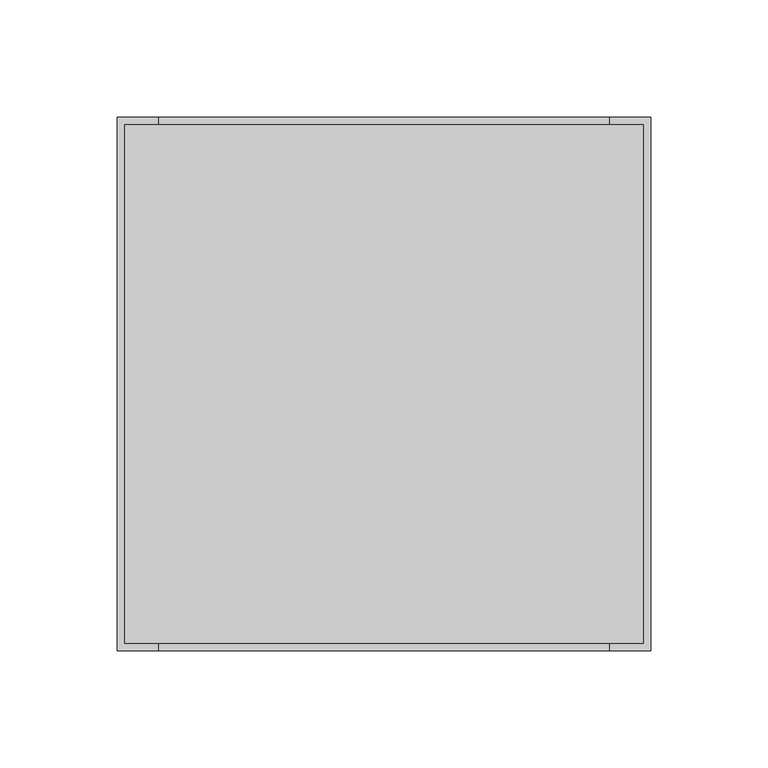
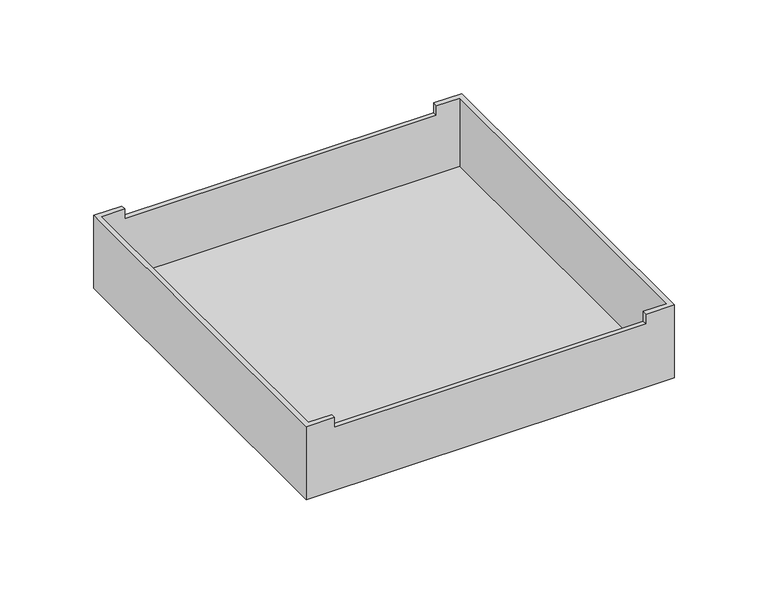
"""IFC4 building model written with IfcOpenShell, lengths in millimetres: furniture geometry."""

import ifcopenshell
import ifcopenshell.guid

model = None  # the IFC model being written
_history = None  # IfcOwnerHistory: only IFC2X3 demands one
_inside = {}  # id of a spatial element -> (the spatial element, [elements in it])
_under = {}  # id of a project, library or spatial element -> (it, [spatial elements below it])
_declared = {}  # id of a project -> (the project, [libraries it declares])
_typed = {}  # id of a type object -> (the type object, [elements of that type])
_made_of = {}  # id of a material, layer set ... -> (it, [elements and type objects made of it])


def new_model(schema):
    """Start an empty IFC model of exactly this schema.

    Asked for "IFC4X3", IfcOpenShell would pick the latest addendum, in which some entities
    have other attributes; the version numbers below select the first issue.
    IFC2X3 requires an IfcOwnerHistory on every rooted entity: one is made here for all.
    """
    global model, _history
    if schema == "IFC4X3":
        model = ifcopenshell.file(schema_version=(4, 3, 0, 0))
    else:
        model = ifcopenshell.file(schema=schema)
    _inside.clear()
    _under.clear()
    _declared.clear()
    _typed.clear()
    _made_of.clear()
    _history = None
    if model.schema == "IFC2X3":
        org = make("IfcOrganization", Name="unknown")
        user = make(
            "IfcPersonAndOrganization",
            ThePerson=make("IfcPerson", FamilyName="unknown"),
            TheOrganization=org,
        )
        app = make(
            "IfcApplication",
            ApplicationDeveloper=org,
            Version="unknown",
            ApplicationFullName="unknown",
            ApplicationIdentifier="unknown",
        )
        _history = make(
            "IfcOwnerHistory",
            OwningUser=user,
            OwningApplication=app,
            ChangeAction="ADDED",
            CreationDate=0,
        )
    return model


def make(cls, **values):
    """One entity of the class cls with the attributes given. An attribute that is None is left unset."""
    return model.create_entity(
        cls, **{name: value for name, value in values.items() if value is not None}
    )


def rooted(cls, **values):
    """An entity with a GlobalId (a new one), such as an element, a storey or a relation."""
    return make(cls, GlobalId=ifcopenshell.guid.new(), OwnerHistory=_history, **values)


def si_unit(unit_type, name, prefix=None):
    """IfcSIUnit, for example si_unit("LENGTHUNIT", "METRE", prefix="MILLI")."""
    return make("IfcSIUnit", UnitType=unit_type, Prefix=prefix, Name=name)


def assignment(units):
    """IfcUnitAssignment: the units of a project."""
    return None if units is None else make("IfcUnitAssignment", Units=units)


def point(xyz):
    """IfcCartesianPoint."""
    return None if xyz is None else make("IfcCartesianPoint", Coordinates=xyz)


def direction(xyz):
    """IfcDirection."""
    return None if xyz is None else make("IfcDirection", DirectionRatios=xyz)


def frame(location, z_axis=None, x_axis=None):
    """IfcAxis2Placement3D, a coordinate frame: its origin and axes. An axis left out is left unset."""
    return make(
        "IfcAxis2Placement3D",
        Location=point(location),
        Axis=direction(z_axis),
        RefDirection=direction(x_axis),
    )


def origin():
    """The frame at (0, 0, 0) with its axes left unset."""
    return frame((0.0, 0.0, 0.0))


def place(relative_to, where):
    """IfcLocalPlacement: puts the frame where relative to a parent placement (None: the world)."""
    return make(
        "IfcLocalPlacement", PlacementRelTo=relative_to, RelativePlacement=where
    )


def context(
    kind, dimensions, precision=None, world=None, true_north=None, identifier=None
):
    """IfcGeometricRepresentationContext, for example the 3D "Model" context."""
    return make(
        "IfcGeometricRepresentationContext",
        ContextIdentifier=identifier,
        ContextType=kind,
        CoordinateSpaceDimension=dimensions,
        Precision=precision,
        WorldCoordinateSystem=world,
        TrueNorth=true_north,
    )


def project(units=None, contexts=None):
    """IfcProject with its units and contexts."""
    return rooted(
        "IfcProject",
        Name="project",
        RepresentationContexts=contexts,
        UnitsInContext=assignment(units),
    )


def spatial(cls, under=None, at=None, **own):
    """A site, building, storey or space (cls), placed at a placement, below another one or the project."""
    s = rooted(cls, ObjectPlacement=at, **own)
    if under is not None:
        _under.setdefault(under.id(), (under, []))[1].append(s)
    return s


def polyline(points):
    """IfcPolyline through the points."""
    return make("IfcPolyline", Points=[point(p) for p in points])


def outline(outer, holes=None, kind="AREA"):
    """IfcArbitraryClosedProfileDef: a profile drawn as a closed curve; with holes, ...WithVoids."""
    if holes is None:
        return make("IfcArbitraryClosedProfileDef", ProfileType=kind, OuterCurve=outer)
    return make(
        "IfcArbitraryProfileDefWithVoids",
        ProfileType=kind,
        OuterCurve=outer,
        InnerCurves=holes,
    )


def extrude(swept, where, along, depth):
    """IfcExtrudedAreaSolid: the profile swept, set in the frame where, extruded along a direction by depth."""
    return make(
        "IfcExtrudedAreaSolid",
        SweptArea=swept,
        Position=where,
        ExtrudedDirection=direction(along),
        Depth=depth,
    )


def faces_of(points, faces, orient=None, outer=None):
    """IfcFace entities. A face is a list of loops; a loop is a list of indices into points, from 0.

    orient and outer hold one flag for each loop. By default every Orientation is true, the
    first loop of a face is its IfcFaceOuterBound and the others are IfcFaceBound.
    """
    made = []
    for i, loops in enumerate(faces):
        bounds = []
        for j, loop in enumerate(loops):
            is_outer = j == 0 if outer is None else outer[i][j]
            bounds.append(
                make(
                    "IfcFaceOuterBound" if is_outer else "IfcFaceBound",
                    Bound=make("IfcPolyLoop", Polygon=[points[k] for k in loop]),
                    Orientation=True if orient is None else orient[i][j],
                )
            )
        made.append(make("IfcFace", Bounds=bounds))
    return made


def faceted_brep(points, faces, orient=None, outer=None, voids=None):
    """IfcFacetedBrep: a solid bounded by flat faces; with voids (closed shells), ...WithVoids."""
    shared = [point(p) for p in points]
    hull = make("IfcClosedShell", CfsFaces=faces_of(shared, faces, orient, outer))
    if voids is None:
        return make("IfcFacetedBrep", Outer=hull)
    return make(
        "IfcFacetedBrepWithVoids",
        Outer=hull,
        Voids=[
            make(cls, CfsFaces=faces_of(shared, fs, o, b)) for cls, fs, o, b in voids
        ],
    )


def shape(context_of_items, identifier, shape_type, items):
    """IfcShapeRepresentation: the items that make up one representation, for example the "Body"."""
    return make(
        "IfcShapeRepresentation",
        ContextOfItems=context_of_items,
        RepresentationIdentifier=identifier,
        RepresentationType=shape_type,
        Items=items,
    )


def source(mapping_origin, context_of_items, identifier, shape_type, items):
    """IfcRepresentationMap: a shape defined once, which mapped items show again and again."""
    return make(
        "IfcRepresentationMap",
        MappingOrigin=mapping_origin,
        MappedRepresentation=shape(context_of_items, identifier, shape_type, items),
    )


def transform(
    local_origin,
    x_axis=None,
    y_axis=None,
    z_axis=None,
    scale=None,
    scale2=None,
    scale3=None,
    uniform=True,
):
    """IfcCartesianTransformationOperator3D, or its non-uniform kind. x_axis, y_axis, z_axis: its Axis1, 2, 3."""
    if uniform:
        return make(
            "IfcCartesianTransformationOperator3D",
            Axis1=direction(x_axis),
            Axis2=direction(y_axis),
            LocalOrigin=point(local_origin),
            Scale=scale,
            Axis3=direction(z_axis),
        )
    return make(
        "IfcCartesianTransformationOperator3DnonUniform",
        Axis1=direction(x_axis),
        Axis2=direction(y_axis),
        LocalOrigin=point(local_origin),
        Scale=scale,
        Axis3=direction(z_axis),
        Scale2=scale2,
        Scale3=scale3,
    )


def mapped(mapping_source, mapping_target):
    """IfcMappedItem: shows the shape of a source again, moved by a transform."""
    return make(
        "IfcMappedItem", MappingSource=mapping_source, MappingTarget=mapping_target
    )


def made_of(thing, what):
    """Note that an element or type object is made of a material, layer set ...; save() writes the relation."""
    if what is not None:
        _made_of.setdefault(what.id(), (what, []))[1].append(thing)
    return thing


def element(
    cls,
    number,
    at=None,
    inside=None,
    cuts=None,
    type_object=None,
    material=None,
    context=None,
    identifier="Body",
    shape_type=None,
    held_by="IfcProductDefinitionShape",
    body=None,
    shapes=None,
    **own,
):
    """One element of the class cls, such as IfcWall. Its Tag is "e" and its number.

    at: its placement. inside: the storey or other place that contains it. cuts: it is an
    opening in that element (IfcRelVoidsElement). A single representation is given by context,
    identifier, shape_type and body (its items); several are given by shapes. held_by: the class
    of the entity that holds the representations. save() writes the other relations.
    """
    e = rooted(cls, Tag="e%d" % number, ObjectPlacement=at, **own)
    if body is not None:
        shapes = [shape(context, identifier, shape_type, body)]
    if shapes is not None:
        e.Representation = make(held_by, Representations=shapes)
    if inside is not None:
        _inside.setdefault(inside.id(), (inside, []))[1].append(e)
    if cuts is not None:
        rooted(
            "IfcRelVoidsElement", RelatingBuildingElement=cuts, RelatedOpeningElement=e
        )
    if type_object is not None:
        _typed.setdefault(type_object.id(), (type_object, []))[1].append(e)
    return made_of(e, material)


def aggregate(whole, parts):
    """IfcRelAggregates: a whole, such as a stair, and the parts it consists of."""
    return rooted("IfcRelAggregates", RelatingObject=whole, RelatedObjects=parts)


def save(model, path):
    """Write the relations noted so far, then the file.

    IfcRelAggregates (storeys below a building ...), IfcRelContainedInSpatialStructure (elements
    in a storey), IfcRelDefinesByType, IfcRelAssociatesMaterial and IfcRelDeclares: one each for
    every whole, place, type object, material and project.
    """
    for whole, parts in _under.values():
        aggregate(whole, parts)
    for where, things in _inside.values():
        rooted(
            "IfcRelContainedInSpatialStructure",
            RelatedElements=things,
            RelatingStructure=where,
        )
    for kind, things in _typed.values():
        rooted("IfcRelDefinesByType", RelatedObjects=things, RelatingType=kind)
    for what, things in _made_of.values():
        rooted("IfcRelAssociatesMaterial", RelatedObjects=things, RelatingMaterial=what)
    for by, libraries in _declared.values():
        rooted("IfcRelDeclares", RelatingContext=by, RelatedDefinitions=libraries)
    model.write(path)


def furniture_1521fe45(model_context):
    return source(origin(), model_context, "Body", "SolidModel", [
        extrude(outline(polyline([(223.2660951, -4.0639886), (223.2660951, -223.2660158), (4.0637773, -223.2660158), (4.0637773, -4.0639886), (223.2660951, -4.0639886)]), holes=[polyline([(5.7148393, -221.6149538), (221.6150331, -221.6149538), (221.6150331, -5.7149053), (5.7148393, -5.7149053), (5.7148393, -221.6149538)])]), frame((0.0, 0.0, 723.9), z_axis=(0.0, 0.0, 1.0), x_axis=(1.0, 0.0, 0.0)), (0.0, 0.0, 1.0), 3.0479971),
        faceted_brep([(17.4623677, 0.0, 774.573), (0.0, 0.0, 774.573), (0.0, -227.3300119, 774.573), (17.4623677, -227.3300119, 774.573), (17.4623677, -224.2820875, 774.573), (3.0481312, -224.2820875, 774.573), (3.0481312, -3.0479618, 774.573), (17.4623677, -3.0479618, 774.573), (209.8674328, 0.0, 774.573), (209.8674328, -3.0479618, 774.573), (224.2816693, -3.0479618, 774.573), (224.2816693, -224.2820875, 774.573), (209.8674328, -224.2820875, 774.573), (209.8674328, -227.3300119, 774.573), (227.3298005, -227.3300119, 774.573), (227.3298005, 0.0, 774.573), (17.4623677, 0.0, 768.2230213), (209.8674328, 0.0, 768.2230213), (227.3298005, 0.0, 726.9479971), (0.0, 0.0, 726.9479971), (0.0, -227.3300119, 726.9479971), (227.3298005, -227.3300119, 726.9479971), (209.8674328, -227.3300119, 768.2230213), (17.4623677, -227.3300119, 768.2230213), (17.4623677, -224.2820875, 768.2230213), (209.8674328, -224.2820875, 768.2230213), (224.2816693, -224.2820875, 729.9959942), (3.0481312, -224.2820875, 729.9959942), (3.0481312, -3.0479618, 729.9959942), (224.2816693, -3.0479618, 729.9959942), (209.8674328, -3.0479618, 768.2230213), (17.4623677, -3.0479618, 768.2230213)], [[[0, 1, 2, 3, 4, 5, 6, 7]], [[8, 9, 10, 11, 12, 13, 14, 15]], [[1, 0, 16, 17, 8, 15, 18, 19]], [[2, 1, 19, 20]], [[3, 2, 20, 21, 14, 13, 22, 23]], [[4, 3, 23, 24]], [[5, 4, 24, 25, 12, 11, 26, 27]], [[6, 5, 27, 28]], [[7, 6, 28, 29, 10, 9, 30, 31]], [[0, 7, 31, 16]], [[9, 8, 17, 30]], [[11, 10, 29, 26]], [[13, 12, 25, 22]], [[15, 14, 21, 18]], [[27, 26, 29, 28]], [[18, 21, 20, 19]], [[17, 16, 31, 30]], [[25, 24, 23, 22]]]),
    ])


if __name__ == "__main__":
    model = new_model("IFC4")
    model_context = context("Model", 3, world=origin())
    ifc_project = project(units=[si_unit("LENGTHUNIT", "METRE", prefix="MILLI")], contexts=[model_context])
    site = spatial("IfcSite", under=ifc_project)
    building = spatial("IfcBuilding", under=site)
    placement = place(None, origin())
    furniture_shape = furniture_1521fe45(model_context)
    element("IfcFurniture", 1, at=placement, inside=building, context=model_context, shape_type="MappedRepresentation", body=[
        mapped(furniture_shape, transform((0.0, 0.0, 0.0), x_axis=(1.0, 0.0, 0.0), y_axis=(0.0, 1.0, 0.0), z_axis=(0.0, 0.0, 1.0))),
    ])
    save(model, "model.ifc")
